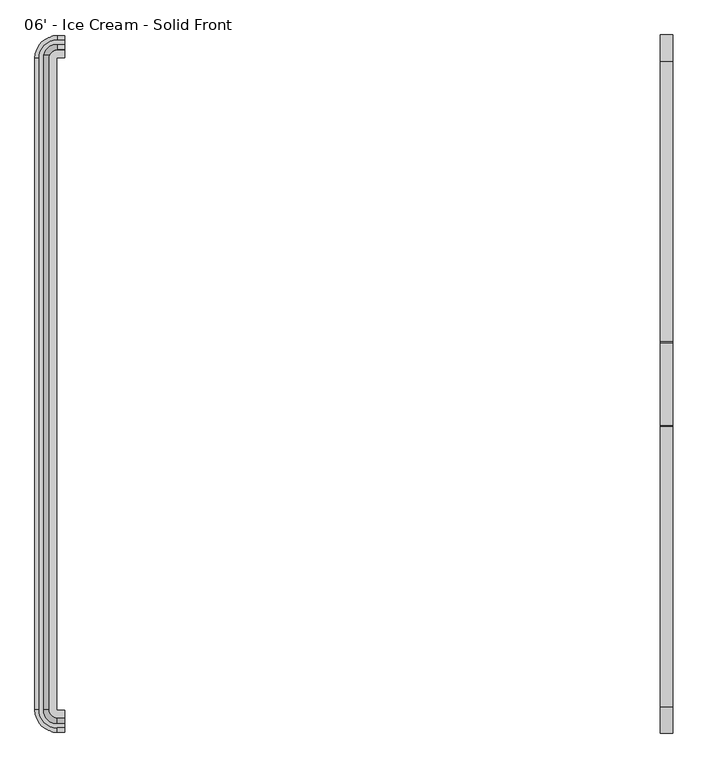
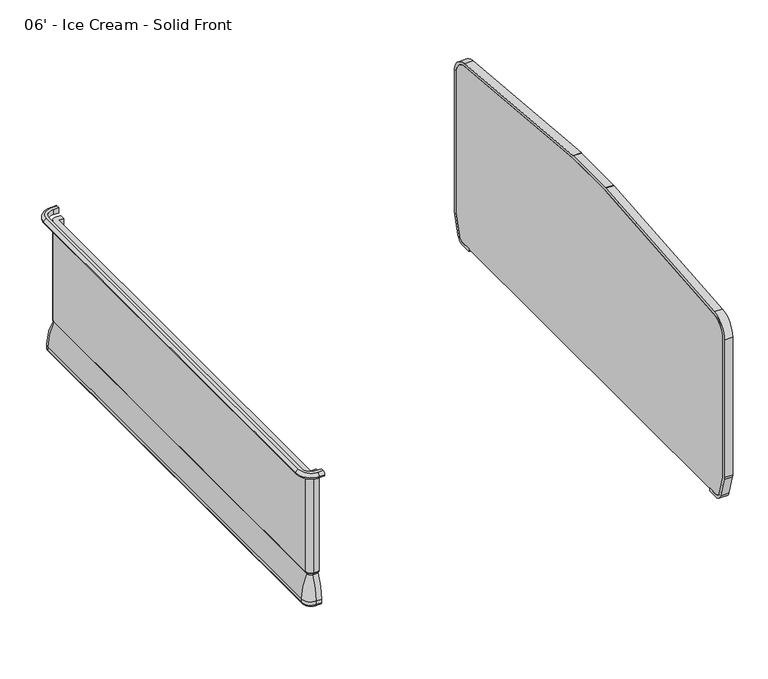
"""IFC4 building model written with IfcOpenShell, lengths in millimetres: proxy geometry, 06' - Ice Cream - Solid Front."""

from ifc_helpers import new_model, si_unit, point, frame, frame_2d, origin, place, context, project, spatial, polyline, circle_curve, ellipse_curve, trimmed, segment, composite_curve, outline, extrude, source, transform, mapped, element, save
from ifc_brep_helpers import plane_surface, cylinder_surface, revolved_surface, advanced_brep


def proxy_06_ice_cream_solid_front_3c8ff21d(model_context):
    return source(origin(), model_context, "Body", "SolidModel", [
        extrude(outline(composite_curve([segment(trimmed(circle_curve(frame_2d((-448.7907325, 105.4346764)), 25.4), [point((-448.7907325, 80.0346764))], [point((-424.3934681, 98.3683131))], True, "CARTESIAN"), True, "CONTINUOUS"), segment(polyline([(-424.3934681, 98.3683131), (-396.5553629, 194.4819131)]), True, "CONTINUOUS"), segment(trimmed(circle_curve(frame_2d((-420.9526273, 201.5482764)), 25.4), [point((-396.5553629, 194.4819131))], [point((-395.5526273, 201.5482764))], True, "CARTESIAN"), True, "CONTINUOUS"), segment(polyline([(-395.5526273, 201.5482764), (-395.5526273, 867.4346764)]), True, "CONTINUOUS"), segment(trimmed(circle_curve(frame_2d((-471.7526273, 867.4346764)), 76.2), [point((-395.5526273, 867.4346764))], [point((-465.008014, 943.3355999))], True, "CARTESIAN"), True, "CONTINUOUS"), segment(polyline([(-465.008014, 943.3355999), (-1324.7732229, 1019.7349842)]), True, "CONTINUOUS"), segment(trimmed(circle_curve(frame_2d((-1327.0214273, 994.4346764)), 25.4), [point((-1324.7732229, 1019.7349842))], [point((-1327.0214273, 1019.8346764))], True, "CARTESIAN"), True, "CONTINUOUS"), segment(polyline([(-1327.0214273, 1019.8346764), (-1581.0214273, 1019.8346764)]), True, "CONTINUOUS"), segment(trimmed(circle_curve(frame_2d((-1581.0214273, 994.4346764)), 25.4), [point((-1581.0214273, 1019.8346764))], [point((-1583.2696317, 1019.7349842))], True, "CARTESIAN"), True, "CONTINUOUS"), segment(polyline([(-1583.2696317, 1019.7349842), (-2443.0348406, 943.3355999)]), True, "CONTINUOUS"), segment(trimmed(circle_curve(frame_2d((-2436.2902273, 867.4346764)), 76.2), [point((-2443.0348406, 943.3355999))], [point((-2512.4902273, 867.4346764))], True, "CARTESIAN"), True, "CONTINUOUS"), segment(polyline([(-2512.4902273, 867.4346764), (-2512.4902273, 201.5482764)]), True, "CONTINUOUS"), segment(trimmed(circle_curve(frame_2d((-2487.0902273, 201.5482764)), 25.4), [point((-2512.4902273, 201.5482764))], [point((-2511.4874917, 194.4819131))], True, "CARTESIAN"), True, "CONTINUOUS"), segment(polyline([(-2511.4874917, 194.4819131), (-2483.6493865, 98.3683131)]), True, "CONTINUOUS"), segment(trimmed(circle_curve(frame_2d((-2459.2521221, 105.4346764)), 25.4), [point((-2483.6493865, 98.3683131))], [point((-2459.2521221, 80.0346764))], True, "CARTESIAN"), True, "CONTINUOUS"), segment(polyline([(-2459.2521221, 80.0346764), (-2409.6329734, 80.0346764), (-2409.6329734, 67.3346764), (-2459.2521221, 67.3346764)]), True, "CONTINUOUS"), segment(trimmed(circle_curve(frame_2d((-2459.2521221, 105.4346764)), 38.1), [point((-2459.2521221, 67.3346764))], [point((-2495.8480186, 94.8351315))], False, "CARTESIAN"), True, "CONTINUOUS"), segment(polyline([(-2495.8480186, 94.8351315), (-2523.6861239, 190.9487315)]), True, "CONTINUOUS"), segment(trimmed(circle_curve(frame_2d((-2487.0902273, 201.5482764)), 38.1), [point((-2523.6861239, 190.9487315))], [point((-2525.1902273, 201.5482764))], False, "CARTESIAN"), True, "CONTINUOUS"), segment(polyline([(-2525.1902273, 201.5482764), (-2525.1902273, 867.4346764)]), True, "CONTINUOUS"), segment(trimmed(circle_curve(frame_2d((-2436.2902273, 867.4346764)), 88.9), [point((-2525.1902273, 867.4346764))], [point((-2444.1589428, 955.9857538))], False, "CARTESIAN"), True, "CONTINUOUS"), segment(polyline([(-2444.1589428, 955.9857538), (-1584.3937339, 1032.3851381)]), True, "CONTINUOUS"), segment(trimmed(circle_curve(frame_2d((-1581.0214273, 994.4346764)), 38.1), [point((-1584.3937339, 1032.3851381))], [point((-1581.0214273, 1032.5346764))], False, "CARTESIAN"), True, "CONTINUOUS"), segment(polyline([(-1581.0214273, 1032.5346764), (-1327.0214273, 1032.5346764)]), True, "CONTINUOUS"), segment(trimmed(circle_curve(frame_2d((-1327.0214273, 994.4346764)), 38.1), [point((-1327.0214273, 1032.5346764))], [point((-1323.6491207, 1032.3851381))], False, "CARTESIAN"), True, "CONTINUOUS"), segment(polyline([(-1323.6491207, 1032.3851381), (-463.8839118, 955.9857538)]), True, "CONTINUOUS"), segment(trimmed(circle_curve(frame_2d((-471.7526273, 867.4346764)), 88.9), [point((-463.8839118, 955.9857538))], [point((-382.8526273, 867.4346764))], False, "CARTESIAN"), True, "CONTINUOUS"), segment(polyline([(-382.8526273, 867.4346764), (-382.8526273, 201.5482764)]), True, "CONTINUOUS"), segment(trimmed(circle_curve(frame_2d((-420.9526273, 201.5482764)), 38.1), [point((-382.8526273, 201.5482764))], [point((-384.3567307, 190.9487315))], False, "CARTESIAN"), True, "CONTINUOUS"), segment(polyline([(-384.3567307, 190.9487315), (-412.1948359, 94.8351315)]), True, "CONTINUOUS"), segment(trimmed(circle_curve(frame_2d((-448.7907325, 105.4346764)), 38.1), [point((-412.1948359, 94.8351315))], [point((-448.7907325, 67.3346764))], False, "CARTESIAN"), True, "CONTINUOUS"), segment(polyline([(-448.7907325, 67.3346764), (-498.4098812, 67.3346764), (-498.4098812, 80.0346764), (-448.7907325, 80.0346764)]), True, "CONTINUOUS")], self_intersect=False)), frame((1828.8, 0.0, 0.0), z_axis=(1.0, 0.0, 0.0), x_axis=(0.0, 1.0, 0.0)), (0.0, 0.0, 1.0), 38.1),
        extrude(outline(composite_curve([segment(polyline([(-448.7907325, 80.0346764), (-2459.2521221, 80.0346764)]), True, "CONTINUOUS"), segment(trimmed(circle_curve(frame_2d((-2459.2521221, 105.4346764)), 25.4), [point((-2459.2521221, 80.0346764))], [point((-2483.6493865, 98.3683131))], False, "CARTESIAN"), True, "CONTINUOUS"), segment(polyline([(-2483.6493865, 98.3683131), (-2511.4874917, 194.4819131)]), True, "CONTINUOUS"), segment(trimmed(circle_curve(frame_2d((-2487.0902273, 201.5482764)), 25.4), [point((-2511.4874917, 194.4819131))], [point((-2512.4902273, 201.5482764))], False, "CARTESIAN"), True, "CONTINUOUS"), segment(polyline([(-2512.4902273, 201.5482764), (-2512.4902273, 867.4346764)]), True, "CONTINUOUS"), segment(trimmed(circle_curve(frame_2d((-2436.2902273, 867.4346764)), 76.2), [point((-2512.4902273, 867.4346764))], [point((-2443.0348406, 943.3355999))], False, "CARTESIAN"), True, "CONTINUOUS"), segment(polyline([(-2443.0348406, 943.3355999), (-1583.2696317, 1019.7349842)]), True, "CONTINUOUS"), segment(trimmed(circle_curve(frame_2d((-1581.0214273, 994.4346764)), 25.4), [point((-1583.2696317, 1019.7349842))], [point((-1581.0214273, 1019.8346764))], False, "CARTESIAN"), True, "CONTINUOUS"), segment(polyline([(-1581.0214273, 1019.8346764), (-1327.0214273, 1019.8346764)]), True, "CONTINUOUS"), segment(trimmed(circle_curve(frame_2d((-1327.0214273, 994.4346764)), 25.4), [point((-1327.0214273, 1019.8346764))], [point((-1324.7732229, 1019.7349842))], False, "CARTESIAN"), True, "CONTINUOUS"), segment(polyline([(-1324.7732229, 1019.7349842), (-465.008014, 943.3355999)]), True, "CONTINUOUS"), segment(trimmed(circle_curve(frame_2d((-471.7526273, 867.4346764)), 76.2), [point((-465.008014, 943.3355999))], [point((-395.5526273, 867.4346764))], False, "CARTESIAN"), True, "CONTINUOUS"), segment(polyline([(-395.5526273, 867.4346764), (-395.5526273, 201.5482764)]), True, "CONTINUOUS"), segment(trimmed(circle_curve(frame_2d((-420.9526273, 201.5482764)), 25.4), [point((-395.5526273, 201.5482764))], [point((-396.5553629, 194.4819131))], False, "CARTESIAN"), True, "CONTINUOUS"), segment(polyline([(-396.5553629, 194.4819131), (-424.3934681, 98.3683131)]), True, "CONTINUOUS"), segment(trimmed(circle_curve(frame_2d((-448.7907325, 105.4346764)), 25.4), [point((-424.3934681, 98.3683131))], [point((-448.7907325, 80.0346764))], False, "CARTESIAN"), True, "CONTINUOUS")], self_intersect=False)), frame((1828.8, 0.0, 0.0), z_axis=(1.0, 0.0, 0.0), x_axis=(0.0, 1.0, 0.0)), (0.0, 0.0, 1.0), 38.1),
        advanced_brep(
        [(0.0, -2509.5631602, 866.4774073), (0.0, -2522.2631602, 853.7774073), (0.0, -2509.5631602, 841.0774073), (0.0, -2497.1486734, 841.0774073), (0.0, -2497.1486734, 866.4774073), (-23.8125, -2509.5631602, 866.4774073), (-23.8125, -2522.2631602, 853.7774073), (-23.8125, -2509.5631602, 841.0774073), (-79.2292329, -2454.1464273, 841.0774073), (-79.2292329, -453.8964273, 841.0774073), (-23.8125, -398.4796944, 841.0774073), (0.0, -398.4796944, 841.0774073), (0.0, -410.8941812, 841.0774073), (-23.8125, -410.8941812, 841.0774073), (-66.8147461, -453.8964273, 841.0774073), (-66.8147461, -2454.1464273, 841.0774073), (-23.8125, -2497.1486734, 841.0774073), (-23.8125, -2497.1486734, 866.4774073), (-66.8147461, -2454.1464273, 866.4774073), (-66.8147461, -453.8964273, 866.4774073), (-23.8125, -410.8941812, 866.4774073), (0.0, -410.8941812, 866.4774073), (0.0, -398.4796944, 866.4774073), (-23.8125, -398.4796944, 866.4774073), (-79.2292329, -453.8964273, 866.4774073), (-79.2292329, -2454.1464273, 866.4774073), (-91.9292329, -2454.1464273, 853.7774073), (-91.9292329, -453.8964273, 853.7774073), (-23.8125, -385.7796944, 853.7774073), (0.0, -385.7796944, 853.7774073)],
        [
            (0, 1, circle_curve(frame((0.0, -2509.5631602, 853.7774073), z_axis=(1.0, 0.0, 0.0), x_axis=(0.0, -1.0, 0.0)), 12.7)),
            (1, 2, circle_curve(frame((0.0, -2509.5631602, 853.7774073), z_axis=(1.0, 0.0, 0.0), x_axis=(0.0, -1.0, 0.0)), 12.7)),
            (2, 3),
            (3, 4),
            (4, 0),
            (0, 5),
            (5, 6, circle_curve(frame((-23.8125, -2509.5631602, 853.7774073), z_axis=(1.0, 0.0, 0.0), x_axis=(0.0, -1.0, 0.0)), 12.7)),
            (6, 1),
            (6, 7, circle_curve(frame((-23.8125, -2509.5631602, 853.7774073), z_axis=(1.0, 0.0, 0.0), x_axis=(0.0, -1.0, 0.0)), 12.7)),
            (7, 2),
            (7, 8, circle_curve(frame((-23.8125, -2454.1464273, 841.0774073), z_axis=(0.0, 0.0, -1.0), x_axis=(0.0, -1.0, 0.0)), 55.4167329)),
            (8, 9),
            (9, 10, circle_curve(frame((-23.8125, -453.8964273, 841.0774073), z_axis=(0.0, 0.0, -1.0), x_axis=(-1.0, 0.0, 0.0)), 55.4167329)),
            (10, 11),
            (11, 12),
            (12, 13),
            (13, 14, circle_curve(frame((-23.8125, -453.8964273, 841.0774073), z_axis=(0.0, 0.0, 1.0), x_axis=(-1.0, 0.0, 0.0)), 43.0022461)),
            (14, 15),
            (15, 16, circle_curve(frame((-23.8125, -2454.1464273, 841.0774073), z_axis=(0.0, 0.0, 1.0), x_axis=(0.0, -1.0, 0.0)), 43.0022461)),
            (16, 3),
            (16, 17),
            (17, 4),
            (17, 18, circle_curve(frame((-23.8125, -2454.1464273, 866.4774073), z_axis=(0.0, 0.0, -1.0), x_axis=(0.0, -1.0, 0.0)), 43.0022461)),
            (18, 19),
            (19, 20, circle_curve(frame((-23.8125, -453.8964273, 866.4774073), z_axis=(0.0, 0.0, -1.0), x_axis=(-1.0, 0.0, 0.0)), 43.0022461)),
            (20, 21),
            (21, 22),
            (22, 23),
            (23, 24, circle_curve(frame((-23.8125, -453.8964273, 866.4774073), z_axis=(0.0, 0.0, 1.0), x_axis=(-1.0, 0.0, 0.0)), 55.4167329)),
            (24, 25),
            (25, 5, circle_curve(frame((-23.8125, -2454.1464273, 866.4774073), z_axis=(0.0, 0.0, 1.0), x_axis=(0.0, -1.0, 0.0)), 55.4167329)),
            (26, 6, circle_curve(frame((-23.8125, -2454.1464273, 853.7774073), z_axis=(0.0, 0.0, 1.0), x_axis=(0.0, -1.0, 0.0)), 68.1167329)),
            (25, 26, circle_curve(frame((-79.2292329, -2454.1464273, 853.7774073), z_axis=(0.0, -1.0, 0.0), x_axis=(-1.0, 0.0, 0.0)), 12.7)),
            (26, 8, circle_curve(frame((-79.2292329, -2454.1464273, 853.7774073), z_axis=(0.0, -1.0, 0.0), x_axis=(-1.0, 0.0, 0.0)), 12.7)),
            (15, 18),
            (24, 27, circle_curve(frame((-79.2292329, -453.8964273, 853.7774073), z_axis=(0.0, -1.0, 0.0), x_axis=(-1.0, 0.0, 0.0)), 12.7)),
            (27, 26),
            (27, 9, circle_curve(frame((-79.2292329, -453.8964273, 853.7774073), z_axis=(0.0, -1.0, 0.0), x_axis=(-1.0, 0.0, 0.0)), 12.7)),
            (14, 19),
            (28, 27, circle_curve(frame((-23.8125, -453.8964273, 853.7774073), z_axis=(0.0, 0.0, 1.0), x_axis=(-1.0, 0.0, 0.0)), 68.1167329)),
            (23, 28, circle_curve(frame((-23.8125, -398.4796944, 853.7774073), z_axis=(-1.0, 0.0, 0.0), x_axis=(0.0, 1.0, 0.0)), 12.7)),
            (28, 10, circle_curve(frame((-23.8125, -398.4796944, 853.7774073), z_axis=(-1.0, 0.0, 0.0), x_axis=(0.0, 1.0, 0.0)), 12.7)),
            (13, 20),
            (21, 12),
            (11, 29, circle_curve(frame((0.0, -398.4796944, 853.7774073), z_axis=(1.0, 0.0, 0.0), x_axis=(0.0, 1.0, 0.0)), 12.7)),
            (29, 22, circle_curve(frame((0.0, -398.4796944, 853.7774073), z_axis=(1.0, 0.0, 0.0), x_axis=(0.0, 1.0, 0.0)), 12.7)),
            (29, 28),
        ],
        [
            plane_surface(frame((0.0, -2506.5339273, -50.8), z_axis=(1.0, 0.0, 0.0), x_axis=(0.0, 0.0, 1.0))),
            cylinder_surface(frame((0.0, -2509.5631602, 853.7774073), z_axis=(1.0, 0.0, 0.0), x_axis=(0.0, -1.0, 0.0)), 12.7),
            plane_surface(frame((0.0, -2509.5631602, 841.0774073), z_axis=(0.0, 0.0, -1.0), x_axis=(-1.0, 0.0, 0.0))),
            plane_surface(frame((0.0, -2497.1486734, 841.0774073), z_axis=(0.0, 1.0, 0.0), x_axis=(-1.0, 0.0, 0.0))),
            plane_surface(frame((0.0, -2497.1486734, 866.4774073), z_axis=(0.0, 0.0, 1.0), x_axis=(-1.0, 0.0, 0.0))),
            revolved_surface(trimmed(ellipse_curve(frame((-23.8125, -2509.5631602, 853.7774073), z_axis=(1.0, 0.0, 0.0), x_axis=(0.0, -1.0, 0.0)), 12.7, 12.7), [point((-23.8125, -2509.5631602, 866.4774073))], [point((-23.8125, -2522.2631602, 853.7774073))], True, "CARTESIAN"), (-23.8125, -2454.1464273, -50.8), (0.0, 0.0, -1.0)),
            revolved_surface(trimmed(ellipse_curve(frame((-23.8125, -2509.5631602, 853.7774073), z_axis=(1.0, 0.0, 0.0), x_axis=(0.0, -1.0, 0.0)), 12.7, 12.7), [point((-23.8125, -2522.2631602, 853.7774073))], [point((-23.8125, -2509.5631602, 841.0774073))], True, "CARTESIAN"), (-23.8125, -2454.1464273, -50.8), (0.0, 0.0, -1.0)),
            revolved_surface(polyline([(-23.8125, -2497.1486734, 841.0774073), (-23.8125, -2497.1486734, 866.4774073)]), (-23.8125, -2454.1464273, -50.8), (0.0, 0.0, -1.0)),
            cylinder_surface(frame((-79.2292329, -2454.1464273, 853.7774073), z_axis=(0.0, -1.0, 0.0), x_axis=(-1.0, 0.0, 0.0)), 12.7),
            plane_surface(frame((-66.8147461, -2454.1464273, 841.0774073), z_axis=(1.0, 0.0, 0.0), x_axis=(0.0, 1.0, 0.0))),
            revolved_surface(trimmed(ellipse_curve(frame((-79.2292329, -453.8964273, 853.7774073), z_axis=(0.0, -1.0, 0.0), x_axis=(-1.0, 0.0, 0.0)), 12.7, 12.7), [point((-79.2292329, -453.8964273, 866.4774073))], [point((-91.9292329, -453.8964273, 853.7774073))], True, "CARTESIAN"), (-23.8125, -453.8964273, -50.8), (0.0, 0.0, -1.0)),
            revolved_surface(trimmed(ellipse_curve(frame((-79.2292329, -453.8964273, 853.7774073), z_axis=(0.0, -1.0, 0.0), x_axis=(-1.0, 0.0, 0.0)), 12.7, 12.7), [point((-91.9292329, -453.8964273, 853.7774073))], [point((-79.2292329, -453.8964273, 841.0774073))], True, "CARTESIAN"), (-23.8125, -453.8964273, -50.8), (0.0, 0.0, -1.0)),
            revolved_surface(polyline([(-66.81474610000001, -453.8964273, 841.0774073), (-66.81474610000001, -453.8964273, 866.4774073)]), (-23.8125, -453.8964273, -50.8), (0.0, 0.0, -1.0)),
            plane_surface(frame((0.0, -401.5089273, -50.8), z_axis=(1.0, 0.0, 0.0), x_axis=(0.0, 0.0, 1.0))),
            cylinder_surface(frame((-23.8125, -398.4796944, 853.7774073), z_axis=(-1.0, 0.0, 0.0), x_axis=(0.0, 1.0, 0.0)), 12.7),
            plane_surface(frame((-23.8125, -410.8941812, 841.0774073), z_axis=(0.0, -1.0, 0.0), x_axis=(1.0, 0.0, 0.0))),
        ],
        [
            (0, [[1, 2, 3, 4, 5]]),
            (1, [[-1, 6, 7, 8]]),
            (1, [[-2, -8, 9, 10]]),
            (2, [[-3, -10, 11, 12, 13, 14, 15, 16, 17, 18, 19, 20]]),
            (3, [[-4, -20, 21, 22]]),
            (4, [[-5, -22, 23, 24, 25, 26, 27, 28, 29, 30, 31, -6]]),
            (5, [[32, -7, -31, 33]]),
            (6, [[-11, -9, -32, 34]]),
            (7, [[-23, -21, -19, 35]]),
            (8, [[-33, -30, 36, 37]]),
            (8, [[-34, -37, 38, -12]]),
            (9, [[-35, -18, 39, -24]]),
            (10, [[40, -36, -29, 41]]),
            (11, [[-13, -38, -40, 42]]),
            (12, [[-25, -39, -17, 43]]),
            (13, [[-27, 44, -15, 45, 46]]),
            (14, [[-41, -28, -46, 47]]),
            (14, [[-42, -47, -45, -14]]),
            (15, [[-43, -16, -44, -26]]),
        ],
    ),
        advanced_brep(
        [(0.0, -2454.774197, 212.6925638), (0.0, -2454.774197, 358.1075638), (0.0, -2459.036449, 358.1075638), (0.0, -2459.036449, 353.8876761), (0.0, -2470.5758305, 346.6306987), (0.0, -2497.4082007, 235.3283913), (0.0, -2497.4082007, 218.3404259), (0.0, -2489.2203386, 210.1525638), (0.0, -2484.436449, 210.1525638), (0.0, -2484.436449, 212.6925638), (0.0, -444.5374076, 212.6925638), (0.0, -414.8751556, 212.6925638), (0.0, -414.8751556, 210.1525638), (0.0, -410.091266, 210.1525638), (0.0, -401.9034039, 218.3404259), (0.0, -401.9034039, 235.3283913), (0.0, -428.7357741, 346.6306987), (0.0, -440.2751556, 353.8876761), (0.0, -440.2751556, 358.1075638), (0.0, -444.5374076, 358.1075638), (-23.8125, -2454.774197, 212.6925638), (-23.8125, -2454.774197, 358.1075638), (-24.4402697, -2454.1464273, 358.1075638), (-24.4402697, -445.1651773, 358.1075638), (-23.8125, -444.5374076, 358.1075638), (-23.8125, -440.2751556, 358.1075638), (-28.7025217, -445.1651773, 358.1075638), (-28.7025217, -2454.1464273, 358.1075638), (-23.8125, -2459.036449, 358.1075638), (-23.8125, -2459.036449, 353.8876761), (-23.8125, -2470.5758305, 346.6306987), (-23.8125, -2497.4082007, 235.3283913), (-23.8125, -2497.4082007, 218.3404259), (-23.8125, -2489.2203386, 210.1525638), (-58.8864113, -2454.1464273, 210.1525638), (-58.8864113, -445.1651773, 210.1525638), (-23.8125, -410.091266, 210.1525638), (-23.8125, -414.8751556, 210.1525638), (-54.1025217, -445.1651773, 210.1525638), (-54.1025217, -2454.1464273, 210.1525638), (-23.8125, -2484.436449, 210.1525638), (-23.8125, -2484.436449, 212.6925638), (-54.1025217, -2454.1464273, 212.6925638), (-54.1025217, -445.1651773, 212.6925638), (-23.8125, -414.8751556, 212.6925638), (-23.8125, -444.5374076, 212.6925638), (-24.4402697, -445.1651773, 212.6925638), (-24.4402697, -2454.1464273, 212.6925638), (-28.7025217, -2454.1464273, 353.8876761), (-40.2419032, -2454.1464273, 346.6306987), (-67.0742734, -2454.1464273, 235.3283913), (-67.0742734, -2454.1464273, 218.3404259), (-28.7025217, -445.1651773, 353.8876761), (-40.2419032, -445.1651773, 346.6306987), (-67.0742734, -445.1651773, 235.3283913), (-67.0742734, -445.1651773, 218.3404259), (-23.8125, -440.2751556, 353.8876761), (-23.8125, -428.7357741, 346.6306987), (-23.8125, -401.9034039, 235.3283913), (-23.8125, -401.9034039, 218.3404259)],
        [
            (0, 1),
            (1, 2),
            (2, 3),
            (3, 4, circle_curve(frame((0.0, -2459.1012802, 341.1878416), z_axis=(1.0, 0.0, 0.0), x_axis=(0.0, -1.0, 0.0)), 12.7)),
            (4, 5, circle_curve(frame((0.0, -2218.1357225, 226.8878416), z_axis=(1.0, 0.0, 0.0), x_axis=(0.0, -1.0, 0.0)), 279.4)),
            (5, 6),
            (6, 7, circle_curve(frame((0.0, -2489.2203386, 218.3404259), z_axis=(1.0, 0.0, 0.0), x_axis=(0.0, -1.0, 0.0)), 8.1878621)),
            (7, 8),
            (8, 9),
            (9, 0),
            (10, 11),
            (11, 12),
            (12, 13),
            (13, 14, circle_curve(frame((0.0, -410.091266, 218.3404259), z_axis=(1.0, 0.0, 0.0), x_axis=(0.0, 1.0, 0.0)), 8.1878621)),
            (14, 15),
            (15, 16, circle_curve(frame((0.0, -681.1758821, 226.8878416), z_axis=(1.0, 0.0, 0.0), x_axis=(0.0, 1.0, 0.0)), 279.4)),
            (16, 17, circle_curve(frame((0.0, -440.2103244, 341.1878416), z_axis=(1.0, 0.0, 0.0), x_axis=(0.0, 1.0, 0.0)), 12.7)),
            (17, 18),
            (18, 19),
            (19, 10),
            (0, 20),
            (20, 21),
            (21, 1),
            (21, 22, circle_curve(frame((-23.8125, -2454.1464273, 358.1075638), z_axis=(0.0, 0.0, -1.0), x_axis=(0.0, -1.0, 0.0)), 0.6277697)),
            (22, 23),
            (23, 24, circle_curve(frame((-23.8125, -445.1651773, 358.1075638), z_axis=(0.0, 0.0, -1.0), x_axis=(-1.0, 0.0, 0.0)), 0.6277697)),
            (24, 19),
            (18, 25),
            (25, 26, circle_curve(frame((-23.8125, -445.1651773, 358.1075638), z_axis=(0.0, 0.0, 1.0), x_axis=(-1.0, 0.0, 0.0)), 4.8900217)),
            (26, 27),
            (27, 28, circle_curve(frame((-23.8125, -2454.1464273, 358.1075638), z_axis=(0.0, 0.0, 1.0), x_axis=(0.0, -1.0, 0.0)), 4.8900217)),
            (28, 2),
            (28, 29),
            (29, 3),
            (29, 30, circle_curve(frame((-23.8125, -2459.1012802, 341.1878416), z_axis=(1.0, 0.0, 0.0), x_axis=(0.0, -1.0, 0.0)), 12.7)),
            (30, 4),
            (30, 31, circle_curve(frame((-23.8125, -2218.1357225, 226.8878416), z_axis=(1.0, 0.0, 0.0), x_axis=(0.0, -1.0, 0.0)), 279.4)),
            (31, 5),
            (31, 32),
            (32, 6),
            (7, 33),
            (33, 34, circle_curve(frame((-23.8125, -2454.1464273, 210.1525638), z_axis=(0.0, 0.0, -1.0), x_axis=(0.0, -1.0, 0.0)), 35.0739113)),
            (34, 35),
            (35, 36, circle_curve(frame((-23.8125, -445.1651773, 210.1525638), z_axis=(0.0, 0.0, -1.0), x_axis=(-1.0, 0.0, 0.0)), 35.0739113)),
            (36, 13),
            (12, 37),
            (37, 38, circle_curve(frame((-23.8125, -445.1651773, 210.1525638), z_axis=(0.0, 0.0, 1.0), x_axis=(-1.0, 0.0, 0.0)), 30.2900217)),
            (38, 39),
            (39, 40, circle_curve(frame((-23.8125, -2454.1464273, 210.1525638), z_axis=(0.0, 0.0, 1.0), x_axis=(0.0, -1.0, 0.0)), 30.2900217)),
            (40, 8),
            (40, 41),
            (41, 9),
            (41, 42, circle_curve(frame((-23.8125, -2454.1464273, 212.6925638), z_axis=(0.0, 0.0, -1.0), x_axis=(0.0, -1.0, 0.0)), 30.2900217)),
            (42, 43),
            (43, 44, circle_curve(frame((-23.8125, -445.1651773, 212.6925638), z_axis=(0.0, 0.0, -1.0), x_axis=(-1.0, 0.0, 0.0)), 30.2900217)),
            (44, 11),
            (10, 45),
            (45, 46, circle_curve(frame((-23.8125, -445.1651773, 212.6925638), z_axis=(0.0, 0.0, 1.0), x_axis=(-1.0, 0.0, 0.0)), 0.6277697)),
            (46, 47),
            (47, 20, circle_curve(frame((-23.8125, -2454.1464273, 212.6925638), z_axis=(0.0, 0.0, 1.0), x_axis=(0.0, -1.0, 0.0)), 0.6277697)),
            (47, 22),
            (48, 29, circle_curve(frame((-23.8125, -2454.1464273, 353.8876761), z_axis=(0.0, 0.0, 1.0), x_axis=(0.0, -1.0, 0.0)), 4.8900217)),
            (27, 48),
            (49, 30, circle_curve(frame((-23.8125, -2454.1464273, 346.6306987), z_axis=(0.0, 0.0, 1.0), x_axis=(0.0, -1.0, 0.0)), 16.4294032)),
            (48, 49, circle_curve(frame((-28.7673529, -2454.1464273, 341.1878416), z_axis=(0.0, -1.0, 0.0), x_axis=(-1.0, 0.0, 0.0)), 12.7)),
            (50, 31, circle_curve(frame((-23.8125, -2454.1464273, 235.3283913), z_axis=(0.0, 0.0, 1.0), x_axis=(0.0, -1.0, 0.0)), 43.2617734)),
            (49, 50, circle_curve(frame((212.1982048, -2454.1464273, 226.8878416), z_axis=(0.0, -1.0, 0.0), x_axis=(-1.0, 0.0, 0.0)), 279.4)),
            (51, 32, circle_curve(frame((-23.8125, -2454.1464273, 218.3404259), z_axis=(0.0, 0.0, 1.0), x_axis=(0.0, -1.0, 0.0)), 43.2617734)),
            (50, 51),
            (39, 42),
            (46, 23),
            (26, 52),
            (52, 48),
            (52, 53, circle_curve(frame((-28.7673529, -445.1651773, 341.1878416), z_axis=(0.0, -1.0, 0.0), x_axis=(-1.0, 0.0, 0.0)), 12.7)),
            (53, 49),
            (53, 54, circle_curve(frame((212.1982048, -445.1651773, 226.8878416), z_axis=(0.0, -1.0, 0.0), x_axis=(-1.0, 0.0, 0.0)), 279.4)),
            (54, 50),
            (54, 55),
            (55, 51),
            (38, 43),
            (45, 24),
            (56, 52, circle_curve(frame((-23.8125, -445.1651773, 353.8876761), z_axis=(0.0, 0.0, 1.0), x_axis=(-1.0, 0.0, 0.0)), 4.8900217)),
            (25, 56),
            (57, 53, circle_curve(frame((-23.8125, -445.1651773, 346.6306987), z_axis=(0.0, 0.0, 1.0), x_axis=(-1.0, 0.0, 0.0)), 16.4294032)),
            (56, 57, circle_curve(frame((-23.8125, -440.2103244, 341.1878416), z_axis=(-1.0, 0.0, 0.0), x_axis=(0.0, 1.0, 0.0)), 12.7)),
            (58, 54, circle_curve(frame((-23.8125, -445.1651773, 235.3283913), z_axis=(0.0, 0.0, 1.0), x_axis=(-1.0, 0.0, 0.0)), 43.2617734)),
            (57, 58, circle_curve(frame((-23.8125, -681.1758821, 226.8878416), z_axis=(-1.0, 0.0, 0.0), x_axis=(0.0, 1.0, 0.0)), 279.4)),
            (59, 55, circle_curve(frame((-23.8125, -445.1651773, 218.3404259), z_axis=(0.0, 0.0, 1.0), x_axis=(-1.0, 0.0, 0.0)), 43.2617734)),
            (58, 59),
            (37, 44),
            (17, 56),
            (16, 57),
            (15, 58),
            (14, 59),
            (32, 33, circle_curve(frame((-23.8125, -2489.2203386, 218.3404259), z_axis=(1.0, 0.0, 0.0), x_axis=(0.0, -1.0, 0.0)), 8.1878621)),
            (51, 34, circle_curve(frame((-58.8864113, -2454.1464273, 218.3404259), z_axis=(0.0, -1.0, 0.0), x_axis=(-1.0, 0.0, 0.0)), 8.1878621)),
            (55, 35, circle_curve(frame((-58.8864113, -445.1651773, 218.3404259), z_axis=(0.0, -1.0, 0.0), x_axis=(-1.0, 0.0, 0.0)), 8.1878621)),
            (59, 36, circle_curve(frame((-23.8125, -410.091266, 218.3404259), z_axis=(-1.0, 0.0, 0.0), x_axis=(0.0, 1.0, 0.0)), 8.1878621)),
        ],
        [
            plane_surface(frame((0.0, -2506.5339273, 279.4), z_axis=(1.0, 0.0, 0.0), x_axis=(0.0, 0.0, 1.0))),
            plane_surface(frame((0.0, -392.7776773, 279.4), z_axis=(1.0, 0.0, 0.0), x_axis=(0.0, 0.0, 1.0))),
            plane_surface(frame((0.0, -2454.774197, 212.6925638), z_axis=(0.0, 1.0, 0.0), x_axis=(-1.0, 0.0, 0.0))),
            plane_surface(frame((0.0, -2454.774197, 358.1075638), z_axis=(0.0, 0.0, 1.0), x_axis=(-1.0, 0.0, 0.0))),
            plane_surface(frame((0.0, -2459.036449, 358.1075638), z_axis=(0.0, -1.0, 0.0), x_axis=(-1.0, 0.0, 0.0))),
            cylinder_surface(frame((0.0, -2459.1012802, 341.1878416), z_axis=(1.0, 0.0, 0.0), x_axis=(0.0, -1.0, 0.0)), 12.7),
            cylinder_surface(frame((0.0, -2218.1357225, 226.8878416), z_axis=(1.0, 0.0, 0.0), x_axis=(0.0, -1.0, 0.0)), 279.4),
            plane_surface(frame((0.0, -2497.4082007, 235.3283913), z_axis=(0.0, -1.0, 0.0), x_axis=(-1.0, 0.0, 0.0))),
            plane_surface(frame((0.0, -2489.2203386, 210.1525638), z_axis=(0.0, 0.0, -1.0), x_axis=(-1.0, 0.0, 0.0))),
            plane_surface(frame((0.0, -2484.436449, 210.1525638), z_axis=(0.0, 1.0, 0.0), x_axis=(-1.0, 0.0, 0.0))),
            plane_surface(frame((0.0, -2484.436449, 212.6925638), z_axis=(0.0, 0.0, -1.0), x_axis=(-1.0, 0.0, 0.0))),
            revolved_surface(polyline([(-23.8125, -2454.774197, 212.6925638), (-23.8125, -2454.774197, 358.1075638)]), (-23.8125, -2454.1464273, 279.4), (0.0, 0.0, -1.0)),
            cylinder_surface(frame((-23.8125, -2454.1464273, 279.4), z_axis=(0.0, 0.0, -1.0), x_axis=(0.0, -1.0, 0.0)), 4.8900217),
            revolved_surface(trimmed(ellipse_curve(frame((-23.8125, -2459.1012802, 341.1878416), z_axis=(1.0, 0.0, 0.0), x_axis=(0.0, -1.0, 0.0)), 12.7, 12.7), [point((-23.8125, -2459.036449, 353.8876761))], [point((-23.8125, -2470.5758305, 346.6306987))], True, "CARTESIAN"), (-23.8125, -2454.1464273, 279.4), (0.0, 0.0, -1.0)),
            revolved_surface(trimmed(ellipse_curve(frame((-23.8125, -2218.1357225, 226.8878416), z_axis=(1.0, 0.0, 0.0), x_axis=(0.0, -1.0, 0.0)), 279.4, 279.4), [point((-23.8125, -2470.5758305, 346.6306987))], [point((-23.8125, -2497.4082007, 235.3283913))], True, "CARTESIAN"), (-23.8125, -2454.1464273, 279.4), (0.0, 0.0, -1.0)),
            cylinder_surface(frame((-23.8125, -2454.1464273, 279.4), z_axis=(0.0, 0.0, -1.0), x_axis=(0.0, -1.0, 0.0)), 43.2617734),
            revolved_surface(polyline([(-23.8125, -2484.4364490000003, 210.1525638), (-23.8125, -2484.4364490000003, 212.6925638)]), (-23.8125, -2454.1464273, 279.4), (0.0, 0.0, -1.0)),
            plane_surface(frame((-24.4402697, -2454.1464273, 212.6925638), z_axis=(1.0, 0.0, 0.0), x_axis=(0.0, 1.0, 0.0))),
            plane_surface(frame((-28.7025217, -2454.1464273, 358.1075638), z_axis=(-1.0, 0.0, 0.0), x_axis=(0.0, 1.0, 0.0))),
            cylinder_surface(frame((-28.7673529, -2454.1464273, 341.1878416), z_axis=(0.0, -1.0, 0.0), x_axis=(-1.0, 0.0, 0.0)), 12.7),
            cylinder_surface(frame((212.1982048, -2454.1464273, 226.8878416), z_axis=(0.0, -1.0, 0.0), x_axis=(-1.0, 0.0, 0.0)), 279.4),
            plane_surface(frame((-67.0742734, -2454.1464273, 235.3283913), z_axis=(-1.0, 0.0, 0.0), x_axis=(0.0, 1.0, 0.0))),
            plane_surface(frame((-54.1025217, -2454.1464273, 210.1525638), z_axis=(1.0, 0.0, 0.0), x_axis=(0.0, 1.0, 0.0))),
            revolved_surface(polyline([(-24.4402697, -445.1651773, 212.6925638), (-24.4402697, -445.1651773, 358.1075638)]), (-23.8125, -445.1651773, 279.4), (0.0, 0.0, -1.0)),
            cylinder_surface(frame((-23.8125, -445.1651773, 279.4), z_axis=(0.0, 0.0, -1.0), x_axis=(-1.0, 0.0, 0.0)), 4.8900217),
            revolved_surface(trimmed(ellipse_curve(frame((-28.7673529, -445.1651773, 341.1878416), z_axis=(0.0, -1.0, 0.0), x_axis=(-1.0, 0.0, 0.0)), 12.7, 12.7), [point((-28.7025217, -445.1651773, 353.8876761))], [point((-40.2419032, -445.1651773, 346.6306987))], True, "CARTESIAN"), (-23.8125, -445.1651773, 279.4), (0.0, 0.0, -1.0)),
            revolved_surface(trimmed(ellipse_curve(frame((212.1982048, -445.1651773, 226.8878416), z_axis=(0.0, -1.0, 0.0), x_axis=(-1.0, 0.0, 0.0)), 279.4, 279.4), [point((-40.2419032, -445.1651773, 346.6306987))], [point((-67.0742734, -445.1651773, 235.3283913))], True, "CARTESIAN"), (-23.8125, -445.1651773, 279.4), (0.0, 0.0, -1.0)),
            cylinder_surface(frame((-23.8125, -445.1651773, 279.4), z_axis=(0.0, 0.0, -1.0), x_axis=(-1.0, 0.0, 0.0)), 43.2617734),
            revolved_surface(polyline([(-54.1025217, -445.1651773, 210.1525638), (-54.1025217, -445.1651773, 212.6925638)]), (-23.8125, -445.1651773, 279.4), (0.0, 0.0, -1.0)),
            plane_surface(frame((-23.8125, -444.5374076, 212.6925638), z_axis=(0.0, -1.0, 0.0), x_axis=(1.0, 0.0, 0.0))),
            plane_surface(frame((-23.8125, -440.2751556, 358.1075638), z_axis=(0.0, 1.0, 0.0), x_axis=(1.0, 0.0, 0.0))),
            cylinder_surface(frame((-23.8125, -440.2103244, 341.1878416), z_axis=(-1.0, 0.0, 0.0), x_axis=(0.0, 1.0, 0.0)), 12.7),
            cylinder_surface(frame((-23.8125, -681.1758821, 226.8878416), z_axis=(-1.0, 0.0, 0.0), x_axis=(0.0, 1.0, 0.0)), 279.4),
            plane_surface(frame((-23.8125, -401.9034039, 235.3283913), z_axis=(0.0, 1.0, 0.0), x_axis=(1.0, 0.0, 0.0))),
            plane_surface(frame((-23.8125, -414.8751556, 210.1525638), z_axis=(0.0, -1.0, 0.0), x_axis=(1.0, 0.0, 0.0))),
            cylinder_surface(frame((0.0, -2489.2203386, 218.3404259), z_axis=(1.0, 0.0, 0.0), x_axis=(0.0, -1.0, 0.0)), 8.1878621),
            revolved_surface(trimmed(ellipse_curve(frame((-23.8125, -2489.2203386, 218.3404259), z_axis=(1.0, 0.0, 0.0), x_axis=(0.0, -1.0, 0.0)), 8.1878621, 8.1878621), [point((-23.8125, -2497.4082007, 218.3404259))], [point((-23.8125, -2489.2203386, 210.1525638))], True, "CARTESIAN"), (-23.8125, -2454.1464273, 279.4), (0.0, 0.0, -1.0)),
            cylinder_surface(frame((-58.8864113, -2454.1464273, 218.3404259), z_axis=(0.0, -1.0, 0.0), x_axis=(-1.0, 0.0, 0.0)), 8.1878621),
            revolved_surface(trimmed(ellipse_curve(frame((-58.8864113, -445.1651773, 218.3404259), z_axis=(0.0, -1.0, 0.0), x_axis=(-1.0, 0.0, 0.0)), 8.1878621, 8.1878621), [point((-67.0742734, -445.1651773, 218.3404259))], [point((-58.8864113, -445.1651773, 210.1525638))], True, "CARTESIAN"), (-23.8125, -445.1651773, 279.4), (0.0, 0.0, -1.0)),
            cylinder_surface(frame((-23.8125, -410.091266, 218.3404259), z_axis=(-1.0, 0.0, 0.0), x_axis=(0.0, 1.0, 0.0)), 8.1878621),
        ],
        [
            (0, [[1, 2, 3, 4, 5, 6, 7, 8, 9, 10]]),
            (1, [[11, 12, 13, 14, 15, 16, 17, 18, 19, 20]]),
            (2, [[-1, 21, 22, 23]]),
            (3, [[-2, -23, 24, 25, 26, 27, -19, 28, 29, 30, 31, 32]]),
            (4, [[-3, -32, 33, 34]]),
            (5, [[-4, -34, 35, 36]]),
            (6, [[-5, -36, 37, 38]]),
            (7, [[-6, -38, 39, 40]]),
            (8, [[-8, 41, 42, 43, 44, 45, -13, 46, 47, 48, 49, 50]]),
            (9, [[-9, -50, 51, 52]]),
            (10, [[-10, -52, 53, 54, 55, 56, -11, 57, 58, 59, 60, -21]]),
            (11, [[-24, -22, -60, 61]]),
            (12, [[62, -33, -31, 63]]),
            (13, [[64, -35, -62, 65]]),
            (14, [[66, -37, -64, 67]]),
            (15, [[68, -39, -66, 69]]),
            (16, [[-53, -51, -49, 70]]),
            (17, [[-61, -59, 71, -25]]),
            (18, [[-63, -30, 72, 73]]),
            (19, [[-65, -73, 74, 75]]),
            (20, [[-67, -75, 76, 77]]),
            (21, [[-69, -77, 78, 79]]),
            (22, [[-70, -48, 80, -54]]),
            (23, [[-26, -71, -58, 81]]),
            (24, [[82, -72, -29, 83]]),
            (25, [[84, -74, -82, 85]]),
            (26, [[86, -76, -84, 87]]),
            (27, [[88, -78, -86, 89]]),
            (28, [[-55, -80, -47, 90]]),
            (29, [[-81, -57, -20, -27]]),
            (30, [[-83, -28, -18, 91]]),
            (31, [[-85, -91, -17, 92]]),
            (32, [[-87, -92, -16, 93]]),
            (33, [[-89, -93, -15, 94]]),
            (34, [[-90, -46, -12, -56]]),
            (35, [[-7, -40, 95, -41]]),
            (36, [[-42, -95, -68, 96]]),
            (37, [[-96, -79, 97, -43]]),
            (38, [[-44, -97, -88, 98]]),
            (39, [[-98, -94, -14, -45]]),
        ],
    ),
        advanced_brep(
        [(0.0, -2478.2764734, 840.1995638), (0.0, -2478.2764734, 359.6315638), (0.0, -2476.7524734, 358.1075638), (0.0, -2454.774197, 358.1075638), (0.0, -2454.774197, 840.1995638), (0.0, -429.7663812, 840.1995638), (0.0, -453.2686576, 840.1995638), (0.0, -453.2686576, 358.1075638), (0.0, -431.2903812, 358.1075638), (0.0, -429.7663812, 359.6315638), (-23.8125, -2454.774197, 840.1995638), (-24.4402697, -2454.1464273, 840.1995638), (-24.4402697, -453.8964273, 840.1995638), (-23.8125, -453.2686576, 840.1995638), (-23.8125, -429.7663812, 840.1995638), (-47.9425461, -453.8964273, 840.1995638), (-47.9425461, -2454.1464273, 840.1995638), (-23.8125, -2478.2764734, 840.1995638), (-23.8125, -2454.774197, 358.1075638), (-24.4402697, -2454.1464273, 358.1075638), (-24.4402697, -453.8964273, 358.1075638), (-23.8125, -453.2686576, 358.1075638), (-23.8125, -2478.2764734, 359.6315638), (-23.8125, -2476.7524734, 358.1075638), (-46.4185461, -2454.1464273, 358.1075638), (-46.4185461, -453.8964273, 358.1075638), (-23.8125, -431.2903812, 358.1075638), (-47.9425461, -2454.1464273, 359.6315638), (-47.9425461, -453.8964273, 359.6315638), (-23.8125, -429.7663812, 359.6315638)],
        [
            (0, 1),
            (1, 2, circle_curve(frame((0.0, -2476.7524734, 359.6315638), z_axis=(1.0, 0.0, 0.0), x_axis=(0.0, -1.0, 0.0)), 1.524)),
            (2, 3),
            (3, 4),
            (4, 0),
            (5, 6),
            (6, 7),
            (7, 8),
            (8, 9, circle_curve(frame((0.0, -431.2903812, 359.6315638), z_axis=(1.0, 0.0, 0.0), x_axis=(0.0, 1.0, 0.0)), 1.524)),
            (9, 5),
            (4, 10),
            (10, 11, circle_curve(frame((-23.8125, -2454.1464273, 840.1995638), z_axis=(0.0, 0.0, -1.0), x_axis=(0.0, -1.0, 0.0)), 0.6277697)),
            (11, 12),
            (12, 13, circle_curve(frame((-23.8125, -453.8964273, 840.1995638), z_axis=(0.0, 0.0, -1.0), x_axis=(-1.0, 0.0, 0.0)), 0.6277697)),
            (13, 6),
            (5, 14),
            (14, 15, circle_curve(frame((-23.8125, -453.8964273, 840.1995638), z_axis=(0.0, 0.0, 1.0), x_axis=(-1.0, 0.0, 0.0)), 24.1300461)),
            (15, 16),
            (16, 17, circle_curve(frame((-23.8125, -2454.1464273, 840.1995638), z_axis=(0.0, 0.0, 1.0), x_axis=(0.0, -1.0, 0.0)), 24.1300461)),
            (17, 0),
            (3, 18),
            (18, 10),
            (11, 19),
            (19, 20),
            (20, 12),
            (13, 21),
            (21, 7),
            (18, 19, circle_curve(frame((-23.8125, -2454.1464273, 358.1075638), z_axis=(0.0, 0.0, -1.0), x_axis=(0.0, -1.0, 0.0)), 0.6277697)),
            (17, 22),
            (22, 1),
            (22, 23, circle_curve(frame((-23.8125, -2476.7524734, 359.6315638), z_axis=(1.0, 0.0, 0.0), x_axis=(0.0, -1.0, 0.0)), 1.524)),
            (23, 2),
            (23, 24, circle_curve(frame((-23.8125, -2454.1464273, 358.1075638), z_axis=(0.0, 0.0, -1.0), x_axis=(0.0, -1.0, 0.0)), 22.6060461)),
            (24, 25),
            (25, 26, circle_curve(frame((-23.8125, -453.8964273, 358.1075638), z_axis=(0.0, 0.0, -1.0), x_axis=(-1.0, 0.0, 0.0)), 22.6060461)),
            (26, 8),
            (21, 20, circle_curve(frame((-23.8125, -453.8964273, 358.1075638), z_axis=(0.0, 0.0, 1.0), x_axis=(-1.0, 0.0, 0.0)), 0.6277697)),
            (27, 22, circle_curve(frame((-23.8125, -2454.1464273, 359.6315638), z_axis=(0.0, 0.0, 1.0), x_axis=(0.0, -1.0, 0.0)), 24.1300461)),
            (16, 27),
            (27, 24, circle_curve(frame((-46.4185461, -2454.1464273, 359.6315638), z_axis=(0.0, -1.0, 0.0), x_axis=(-1.0, 0.0, 0.0)), 1.524)),
            (15, 28),
            (28, 27),
            (28, 25, circle_curve(frame((-46.4185461, -453.8964273, 359.6315638), z_axis=(0.0, -1.0, 0.0), x_axis=(-1.0, 0.0, 0.0)), 1.524)),
            (29, 14),
            (9, 29),
            (26, 29, circle_curve(frame((-23.8125, -431.2903812, 359.6315638), z_axis=(1.0, 0.0, 0.0), x_axis=(0.0, 1.0, 0.0)), 1.524)),
            (29, 28, circle_curve(frame((-23.8125, -453.8964273, 359.6315638), z_axis=(0.0, 0.0, 1.0), x_axis=(-1.0, 0.0, 0.0)), 24.1300461)),
        ],
        [
            plane_surface(frame((0.0, -2506.5339273, 228.6), z_axis=(1.0, 0.0, 0.0), x_axis=(0.0, 0.0, 1.0))),
            plane_surface(frame((0.0, -401.5089273, 228.6), z_axis=(1.0, 0.0, 0.0), x_axis=(0.0, 0.0, 1.0))),
            plane_surface(frame((0.0, -2454.774197, 840.1995638), z_axis=(0.0, 0.0, 1.0), x_axis=(-1.0, 0.0, 0.0))),
            plane_surface(frame((0.0, -2454.774197, 358.1075638), z_axis=(0.0, 1.0, 0.0), x_axis=(-1.0, 0.0, 0.0))),
            plane_surface(frame((-24.4402697, -2454.1464273, 358.1075638), z_axis=(1.0, 0.0, 0.0), x_axis=(0.0, 1.0, 0.0))),
            plane_surface(frame((-23.8125, -453.2686576, 358.1075638), z_axis=(0.0, -1.0, 0.0), x_axis=(1.0, 0.0, 0.0))),
            revolved_surface(polyline([(-23.8125, -2454.774197, 358.1075638), (-23.8125, -2454.774197, 840.1995638)]), (-23.8125, -2454.1464273, 228.6), (0.0, 0.0, -1.0)),
            plane_surface(frame((0.0, -2478.2764734, 840.1995638), z_axis=(0.0, -1.0, 0.0), x_axis=(-1.0, 0.0, 0.0))),
            cylinder_surface(frame((0.0, -2476.7524734, 359.6315638), z_axis=(1.0, 0.0, 0.0), x_axis=(0.0, -1.0, 0.0)), 1.524),
            plane_surface(frame((0.0, -2476.7524734, 358.1075638), z_axis=(0.0, 0.0, -1.0), x_axis=(-1.0, 0.0, 0.0))),
            cylinder_surface(frame((-23.8125, -2454.1464273, 228.6), z_axis=(0.0, 0.0, -1.0), x_axis=(0.0, -1.0, 0.0)), 24.1300461),
            revolved_surface(trimmed(ellipse_curve(frame((-23.8125, -2476.7524734, 359.6315638), z_axis=(1.0, 0.0, 0.0), x_axis=(0.0, -1.0, 0.0)), 1.524, 1.524), [point((-23.8125, -2478.2764734, 359.6315638))], [point((-23.8125, -2476.7524734, 358.1075638))], True, "CARTESIAN"), (-23.8125, -2454.1464273, 228.6), (0.0, 0.0, -1.0)),
            plane_surface(frame((-47.9425461, -2454.1464273, 840.1995638), z_axis=(-1.0, 0.0, 0.0), x_axis=(0.0, 1.0, 0.0))),
            cylinder_surface(frame((-46.4185461, -2454.1464273, 359.6315638), z_axis=(0.0, -1.0, 0.0), x_axis=(-1.0, 0.0, 0.0)), 1.524),
            plane_surface(frame((-23.8125, -429.7663812, 840.1995638), z_axis=(0.0, 1.0, 0.0), x_axis=(1.0, 0.0, 0.0))),
            cylinder_surface(frame((-23.8125, -431.2903812, 359.6315638), z_axis=(-1.0, 0.0, 0.0), x_axis=(0.0, 1.0, 0.0)), 1.524),
            cylinder_surface(frame((-23.8125, -453.8964273, 228.6), z_axis=(0.0, 0.0, -1.0), x_axis=(-1.0, 0.0, 0.0)), 24.1300461),
            revolved_surface(trimmed(ellipse_curve(frame((-46.4185461, -453.8964273, 359.6315638), z_axis=(0.0, -1.0, 0.0), x_axis=(-1.0, 0.0, 0.0)), 1.524, 1.524), [point((-47.9425461, -453.8964273, 359.6315638))], [point((-46.4185461, -453.8964273, 358.1075638))], True, "CARTESIAN"), (-23.8125, -453.8964273, 228.6), (0.0, 0.0, -1.0)),
            revolved_surface(polyline([(-24.4402697, -453.8964273, 358.1075638), (-24.4402697, -453.8964273, 840.1995638)]), (-23.8125, -453.8964273, 228.6), (0.0, 0.0, -1.0)),
        ],
        [
            (0, [[1, 2, 3, 4, 5]]),
            (1, [[6, 7, 8, 9, 10]]),
            (2, [[-5, 11, 12, 13, 14, 15, -6, 16, 17, 18, 19, 20]]),
            (3, [[-4, 21, 22, -11]]),
            (4, [[23, 24, 25, -13]]),
            (5, [[26, 27, -7, -15]]),
            (6, [[-12, -22, 28, -23]]),
            (7, [[-1, -20, 29, 30]]),
            (8, [[-2, -30, 31, 32]]),
            (9, [[-3, -32, 33, 34, 35, 36, -8, -27, 37, -24, -28, -21]]),
            (10, [[38, -29, -19, 39]]),
            (11, [[-33, -31, -38, 40]]),
            (12, [[-39, -18, 41, 42]]),
            (13, [[-40, -42, 43, -34]]),
            (14, [[44, -16, -10, 45]]),
            (15, [[46, -45, -9, -36]]),
            (16, [[47, -41, -17, -44]]),
            (17, [[-35, -43, -47, -46]]),
            (18, [[-14, -25, -37, -26]]),
        ],
    ),
    ])


if __name__ == "__main__":
    model = new_model("IFC4")
    model_context = context("Model", 3, world=origin())
    ifc_project = project(units=[si_unit("LENGTHUNIT", "METRE", prefix="MILLI")], contexts=[model_context])
    site = spatial("IfcSite", under=ifc_project)
    building = spatial("IfcBuilding", under=site)
    placement = place(None, origin())
    proxy_06_ice_cream_solid_front_shape = proxy_06_ice_cream_solid_front_3c8ff21d(model_context)
    element("IfcBuildingElementProxy", 1, Name="06' - Ice Cream - Solid Front", ObjectType="06' - Ice Cream - Solid Front", at=placement, inside=building, context=model_context, shape_type="MappedRepresentation", body=[
        mapped(proxy_06_ice_cream_solid_front_shape, transform((0.0, 0.0, 0.0), x_axis=(1.0, 0.0, 0.0), y_axis=(0.0, 1.0, 0.0), z_axis=(0.0, 0.0, 1.0))),
    ])
    save(model, "model.ifc")
